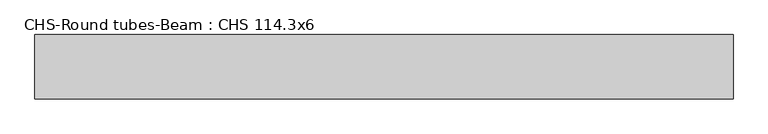
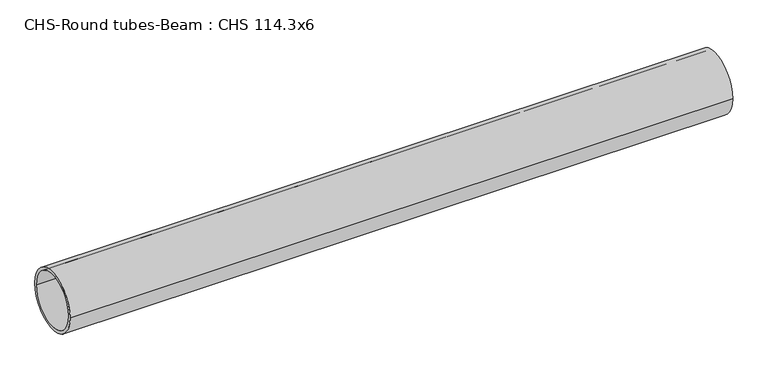
"""IFC4 building model written with IfcOpenShell, lengths in millimetres: beam geometry, CHS-Round tubes-Beam : CHS 114.3x6."""

from ifc_helpers import new_model, si_unit, point, frame, origin, origin_2d, place, context, project, spatial, circle_curve, trimmed, segment, composite_curve, outline, extrude, source, transform, mapped, element, save


def chs_round_tubes_beam_chs_114_3x6_05d6fe03(model_context):
    return source(origin(), model_context, "Body", "SweptSolid", [
        extrude(outline(composite_curve([segment(trimmed(circle_curve(origin_2d(), 57.15), [point((57.15, 0.0))], [point((-57.15, 0.0))], False, "CARTESIAN"), True, "CONTINUOUS"), segment(trimmed(circle_curve(origin_2d(), 57.15), [point((-57.15, 0.0))], [point((57.15, 0.0))], False, "CARTESIAN"), True, "CONTINUOUS")], self_intersect=False), holes=[composite_curve([segment(trimmed(circle_curve(origin_2d(), 51.15), [point((51.15, 0.0))], [point((-51.15, 0.0))], True, "CARTESIAN"), True, "CONTINUOUS"), segment(trimmed(circle_curve(origin_2d(), 51.15), [point((-51.15, 0.0))], [point((51.15, 0.0))], True, "CARTESIAN"), True, "CONTINUOUS")], self_intersect=False)]), frame((-620.5529681, 0.0, 0.0), z_axis=(1.0, 0.0, 0.0), x_axis=(0.0, 1.0, 0.0)), (0.0, 0.0, 1.0), 1241.1034391),
    ])


if __name__ == "__main__":
    model = new_model("IFC4")
    model_context = context("Model", 3, world=origin())
    ifc_project = project(units=[si_unit("LENGTHUNIT", "METRE", prefix="MILLI")], contexts=[model_context])
    site = spatial("IfcSite", under=ifc_project)
    building = spatial("IfcBuilding", under=site)
    placement = place(None, origin())
    chs_round_tubes_beam_chs_114_3x6_shape = chs_round_tubes_beam_chs_114_3x6_05d6fe03(model_context)
    element("IfcBeam", 1, ObjectType="CHS-Round tubes-Beam : CHS 114.3x6", at=placement, inside=building, context=model_context, shape_type="MappedRepresentation", body=[
        mapped(chs_round_tubes_beam_chs_114_3x6_shape, transform((0.0, 0.0, 0.0), x_axis=(1.0, 0.0, 0.0), y_axis=(0.0, 1.0, 0.0), z_axis=(0.0, 0.0, 1.0))),
    ])
    save(model, "model.ifc")
